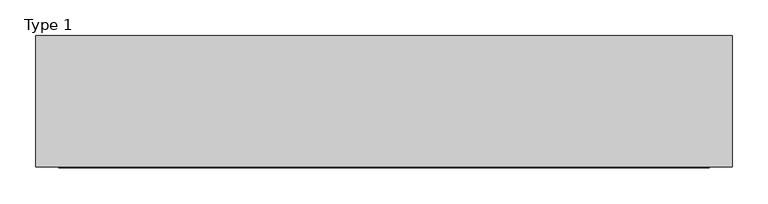
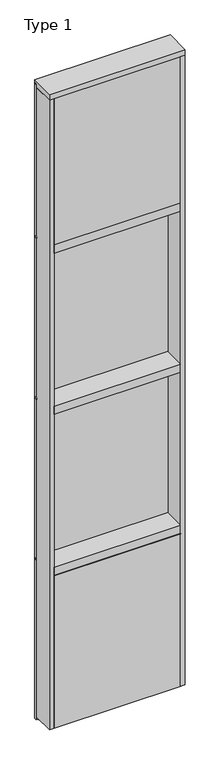
"""IFC4 building model written with IfcOpenShell, lengths in millimetres: plate geometry, Type 1."""

from ifc_helpers import new_model, si_unit, frame, origin, place, context, project, spatial, polyline, outline, extrude, source, transform, mapped, element, save


def type_1_7b8bfe3b(model_context):
    return source(origin(), model_context, "Body", "SweptSolid", [
        extrude(outline(polyline([(485.7516225, 27.6881517), (485.7516225, 11.2982336), (473.0527117, 11.2982336), (473.0527117, 27.6881517), (485.7516225, 27.6881517)])), frame((0.0, 0.0, 1225.55), z_axis=(0.0, 0.0, 1.0), x_axis=(1.0, 0.0, 0.0)), (0.0, 0.0, 1.0), 1206.5),
        extrude(outline(polyline([(-473.0527117, 27.6881517), (-473.0527117, 11.2982336), (-485.7516225, 11.2982336), (-485.7516225, 27.6881517), (-473.0527117, 27.6881517)])), frame((0.0, 0.0, 1225.55), z_axis=(0.0, 0.0, 1.0), x_axis=(1.0, 0.0, 0.0)), (0.0, 0.0, 1.0), 1206.5),
        extrude(outline(polyline([(473.0527117, 27.686), (473.0527117, 2.286), (-473.0527117, 2.286), (-473.0527117, 27.686), (473.0527117, 27.686)])), frame((0.0, 0.0, 1225.55), z_axis=(0.0, 0.0, 1.0), x_axis=(1.0, 0.0, 0.0)), (0.0, 0.0, 1.0), 1206.5),
        extrude(outline(polyline([(485.7516225, 27.686), (485.7516225, 6.35), (-485.7516225, 6.35), (-485.7516225, 27.686), (485.7516225, 27.686)])), frame((0.0, 0.0, 2432.05), z_axis=(0.0, 0.0, 1.0), x_axis=(1.0, 0.0, 0.0)), (0.0, 0.0, 1.0), 12.7),
        extrude(outline(polyline([(485.7516225, 27.6881517), (485.7516225, 11.2982336), (473.0527117, 11.2982336), (473.0527117, 27.6881517), (485.7516225, 27.6881517)])), frame((0.0, 0.0, 2444.75), z_axis=(0.0, 0.0, 1.0), x_axis=(1.0, 0.0, 0.0)), (0.0, 0.0, 1.0), 1206.5),
        extrude(outline(polyline([(-473.0527117, 27.6881517), (-473.0527117, 11.2982336), (-485.7516225, 11.2982336), (-485.7516225, 27.6881517), (-473.0527117, 27.6881517)])), frame((0.0, 0.0, 2444.75), z_axis=(0.0, 0.0, 1.0), x_axis=(1.0, 0.0, 0.0)), (0.0, 0.0, 1.0), 1206.5),
        extrude(outline(polyline([(473.0527117, 27.686), (473.0527117, 2.286), (-473.0527117, 2.286), (-473.0527117, 27.686), (473.0527117, 27.686)])), frame((0.0, 0.0, 2444.75), z_axis=(0.0, 0.0, 1.0), x_axis=(1.0, 0.0, 0.0)), (0.0, 0.0, 1.0), 1206.5),
        extrude(outline(polyline([(485.7516225, 27.686), (485.7516225, 6.35), (-485.7516225, 6.35), (-485.7516225, 27.686), (485.7516225, 27.686)])), frame((0.0, 0.0, 3651.25), z_axis=(0.0, 0.0, 1.0), x_axis=(1.0, 0.0, 0.0)), (0.0, 0.0, 1.0), 12.7),
        extrude(outline(polyline([(-485.7516225, -155.9814), (-485.7516225, 2.286), (-454.0016225, 2.286), (-454.0016225, -155.9814), (-485.7516225, -155.9814)])), frame((0.0, 0.0, 31.75), z_axis=(0.0, 0.0, 1.0), x_axis=(1.0, 0.0, 0.0)), (0.0, 0.0, 1.0), 4762.5),
        extrude(outline(polyline([(485.7516225, -155.9814), (454.0016225, -155.9814), (454.0016225, 2.286), (485.7516225, 2.286), (485.7516225, -155.9814)])), frame((0.0, 0.0, 31.75), z_axis=(0.0, 0.0, 1.0), x_axis=(1.0, 0.0, 0.0)), (0.0, 0.0, 1.0), 4762.5),
        extrude(outline(polyline([(454.0027117, -48.6409999), (454.0027117, -156.32684), (-454.0016225, -156.32684), (-454.0016225, -48.6409999), (454.0027117, -48.6409999)])), frame((0.0, 0.0, 3689.35), z_axis=(0.0, 0.0, 1.0), x_axis=(1.0, 0.0, 0.0)), (0.0, 0.0, 1.0), 1104.9984372),
        extrude(outline(polyline([(485.7516225, 27.6881517), (485.7516225, 11.2982336), (473.0527117, 11.2982336), (473.0527117, 27.6881517), (485.7516225, 27.6881517)])), frame((0.0, 0.0, 3663.95), z_axis=(0.0, 0.0, 1.0), x_axis=(1.0, 0.0, 0.0)), (0.0, 0.0, 1.0), 1149.35),
        extrude(outline(polyline([(-473.0527117, 27.6881517), (-473.0527117, 11.2982336), (-485.7516225, 11.2982336), (-485.7516225, 27.6881517), (-473.0527117, 27.6881517)])), frame((0.0, 0.0, 3663.95), z_axis=(0.0, 0.0, 1.0), x_axis=(1.0, 0.0, 0.0)), (0.0, 0.0, 1.0), 1149.35),
        extrude(outline(polyline([(473.0527117, 27.686), (473.0527117, 2.286), (-473.0527117, 2.286), (-473.0527117, 27.686), (473.0527117, 27.686)])), frame((0.0, 0.0, 3663.95), z_axis=(0.0, 0.0, 1.0), x_axis=(1.0, 0.0, 0.0)), (0.0, 0.0, 1.0), 1149.35),
        extrude(outline(polyline([(454.0027117, -48.6409999), (454.0027117, -156.32684), (-454.0016225, -156.32684), (-454.0016225, -48.6409999), (454.0027117, -48.6409999)])), frame((0.0, 0.0, 31.75), z_axis=(0.0, 0.0, 1.0), x_axis=(1.0, 0.0, 0.0)), (0.0, 0.0, 1.0), 1155.7993556),
        extrude(outline(polyline([(485.7516225, 27.6881517), (485.7516225, 11.2982336), (473.0527117, 11.2982336), (473.0527117, 27.6881517), (485.7516225, 27.6881517)])), frame((0.0, 0.0, 6.35), z_axis=(0.0, 0.0, 1.0), x_axis=(1.0, 0.0, 0.0)), (0.0, 0.0, 1.0), 1206.5),
        extrude(outline(polyline([(-473.0527117, 27.6881517), (-473.0527117, 11.2982336), (-485.7516225, 11.2982336), (-485.7516225, 27.6881517), (-473.0527117, 27.6881517)])), frame((0.0, 0.0, 6.35), z_axis=(0.0, 0.0, 1.0), x_axis=(1.0, 0.0, 0.0)), (0.0, 0.0, 1.0), 1206.5),
        extrude(outline(polyline([(473.0527117, 27.686), (473.0527117, 2.286), (-473.0527117, 2.286), (-473.0527117, 27.686), (473.0527117, 27.686)])), frame((0.0, 0.0, 6.35), z_axis=(0.0, 0.0, 1.0), x_axis=(1.0, 0.0, 0.0)), (0.0, 0.0, 1.0), 1206.5),
        extrude(outline(polyline([(485.7516225, 27.686), (485.7516225, 6.35), (-485.7516225, 6.35), (-485.7516225, 27.686), (485.7516225, 27.686)])), frame((0.0, 0.0, 1212.85), z_axis=(0.0, 0.0, 1.0), x_axis=(1.0, 0.0, 0.0)), (0.0, 0.0, 1.0), 12.7),
        extrude(outline(polyline([(-454.0016225, -155.4734), (-454.0016225, 2.286), (454.0016225, 2.286), (454.0016225, -155.4734), (-454.0016225, -155.4734)])), frame((0.0, 0.0, 1187.45), z_axis=(0.0, 0.0, 1.0), x_axis=(1.0, 0.0, 0.0)), (0.0, 0.0, 1.0), 63.5),
        extrude(outline(polyline([(-454.0016225, -155.4734), (-454.0016225, 2.286), (454.0016225, 2.286), (454.0016225, -155.4734), (-454.0016225, -155.4734)])), frame((0.0, 0.0, 2406.65), z_axis=(0.0, 0.0, 1.0), x_axis=(1.0, 0.0, 0.0)), (0.0, 0.0, 1.0), 63.5),
        extrude(outline(polyline([(-485.7516225, 15.9510838), (-485.7516225, 27.6859999), (485.7516225, 27.6859999), (485.7516225, 15.9510838), (-485.7516225, 15.9510838)])), frame((0.0, 0.0, 4813.9366239), z_axis=(0.0, 0.0, 1.0), x_axis=(1.0, 0.0, 0.0)), (0.0, 0.0, 1.0), 6.7161694),
        extrude(outline(polyline([(27.686, 4838.7), (27.686, 4820.6527933), (2.286, 4820.6527933), (2.286, 4794.8866239), (-155.6003929, 4794.8866239), (-155.4081413, 4838.7), (27.686, 4838.7)])), frame((-485.7516225, 0.0, 0.0), z_axis=(1.0, 0.0, 0.0), x_axis=(0.0, 1.0, 0.0)), (0.0, 0.0, 1.0), 971.5032451),
        extrude(outline(polyline([(-454.0016225, -155.4734), (-454.0016225, 2.2859999), (454.0016225, 2.2859999), (454.0016225, -155.4734), (-454.0016225, -155.4734)])), frame((0.0, 0.0, 3625.85), z_axis=(0.0, 0.0, 1.0), x_axis=(1.0, 0.0, 0.0)), (0.0, 0.0, 1.0), 63.5),
    ])


if __name__ == "__main__":
    model = new_model("IFC4")
    model_context = context("Model", 3, world=origin())
    ifc_project = project(units=[si_unit("LENGTHUNIT", "METRE", prefix="MILLI")], contexts=[model_context])
    site = spatial("IfcSite", under=ifc_project)
    building = spatial("IfcBuilding", under=site)
    placement = place(None, origin())
    type_1_shape = type_1_7b8bfe3b(model_context)
    element("IfcPlate", 1, ObjectType="Type 1", at=placement, inside=building, context=model_context, shape_type="MappedRepresentation", body=[
        mapped(type_1_shape, transform((0.0, 0.0, 0.0), x_axis=(1.0, 0.0, 0.0), y_axis=(0.0, 1.0, 0.0), z_axis=(0.0, 0.0, 1.0))),
    ])
    save(model, "model.ifc")
